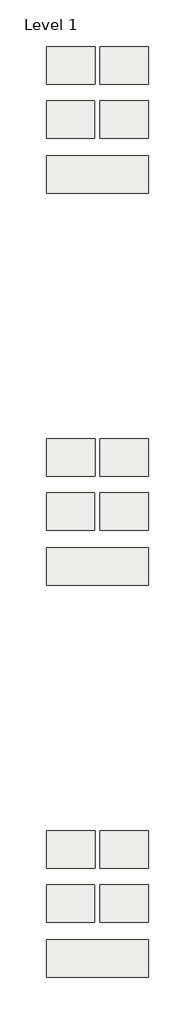
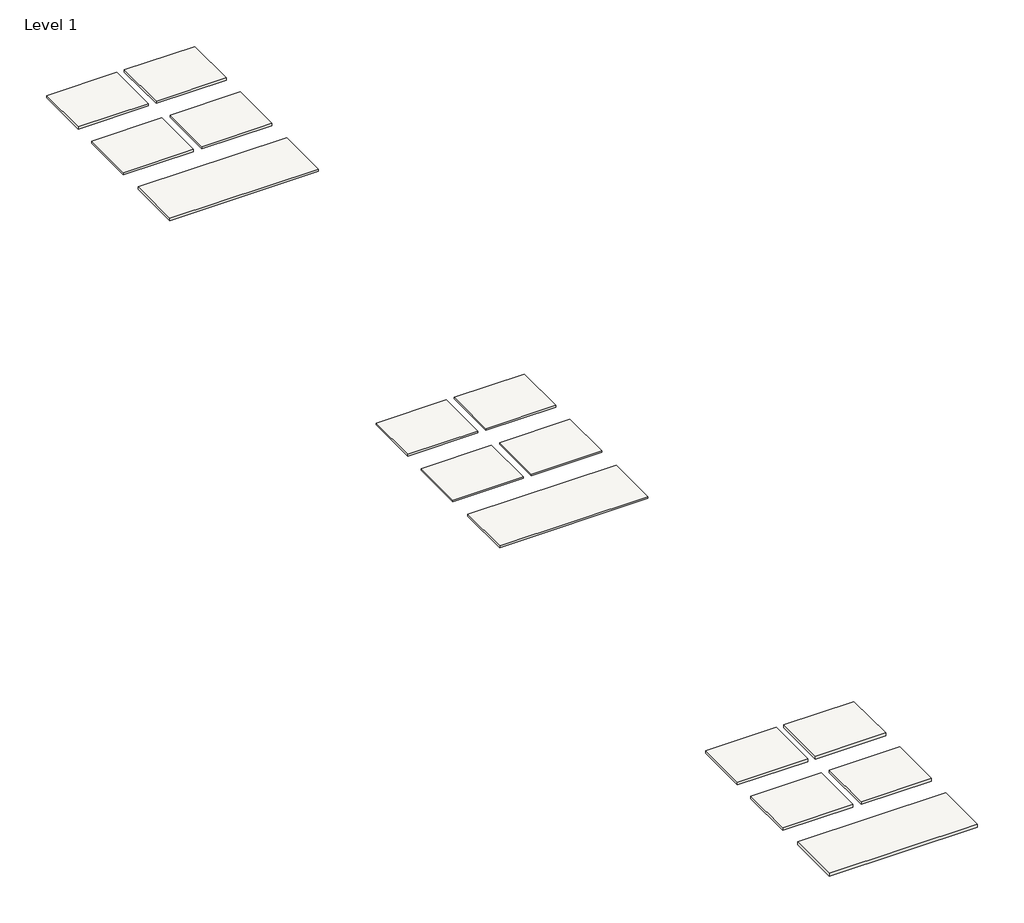
# One storey: 15 slabs.
"""IFC4 building model written with IfcOpenShell, lengths in millimetres."""

from ifc_helpers import new_model, si_unit, frame, origin, place, context, project, spatial, polyline, outline, extrude, element, save

model = new_model("IFC4")

# Units and contexts
model_context = context("Model", 3, world=origin())
ifc_project = project(units=[si_unit("LENGTHUNIT", "METRE", prefix="MILLI")], contexts=[model_context])

# Site, building, storey
site = spatial("IfcSite", under=ifc_project)
building = spatial("IfcBuilding", under=site)
storey = spatial("IfcBuildingStorey", under=building, Name="Level 1", Elevation=0.0)

# Slabs
placement = place(None, origin())
element("IfcSlab", 1, at=placement, inside=storey, context=model_context, shape_type="SweptSolid", body=[
    extrude(outline(polyline([(-33971.7205072, 8147.4619823), (-33971.7205072, 8439.5619823), (-33180.3247403, 8439.5619823), (-33180.3247403, 8147.4619823), (-33971.7205072, 8147.4619823)])), frame((0.0, 0.0, -9.525), z_axis=(0.0, 0.0, 1.0), x_axis=(1.0, 0.0, 0.0)), (0.0, 0.0, 1.0), 9.525),
])
element("IfcSlab", 2, at=placement, inside=storey, context=model_context, shape_type="SweptSolid", body=[
    extrude(outline(polyline([(-33970.8309993, 5949.054028), (-33970.8309993, 6241.154028), (-33596.1809993, 6241.154028), (-33596.1809993, 5949.054028), (-33970.8309993, 5949.054028)])), frame((0.0, 0.0, -15.875), z_axis=(0.0, 0.0, 1.0), x_axis=(1.0, 0.0, 0.0)), (0.0, 0.0, 1.0), 15.875),
])
element("IfcSlab", 3, at=placement, inside=storey, context=model_context, shape_type="SweptSolid", body=[
    extrude(outline(polyline([(-33554.9059993, 5949.054028), (-33554.9059993, 6241.154028), (-33180.2559993, 6241.154028), (-33180.2559993, 5949.054028), (-33554.9059993, 5949.054028)])), frame((0.0, 0.0, -15.875), z_axis=(0.0, 0.0, 1.0), x_axis=(1.0, 0.0, 0.0)), (0.0, 0.0, 1.0), 15.875),
])
element("IfcSlab", 4, at=placement, inside=storey, context=model_context, shape_type="SweptSolid", body=[
    extrude(outline(polyline([(-33973.8895833, 5527.0830679), (-33973.8895833, 5819.1830679), (-33599.2395833, 5819.1830679), (-33599.2395833, 5527.0830679), (-33973.8895833, 5527.0830679)])), frame((0.0, 0.0, -15.875), z_axis=(0.0, 0.0, 1.0), x_axis=(1.0, 0.0, 0.0)), (0.0, 0.0, 1.0), 15.875),
])
element("IfcSlab", 5, at=placement, inside=storey, context=model_context, shape_type="SweptSolid", body=[
    extrude(outline(polyline([(-33554.7895833, 5527.0830679), (-33554.7895833, 5819.1830679), (-33180.1395833, 5819.1830679), (-33180.1395833, 5527.0830679), (-33554.7895833, 5527.0830679)])), frame((0.0, 0.0, -15.875), z_axis=(0.0, 0.0, 1.0), x_axis=(1.0, 0.0, 0.0)), (0.0, 0.0, 1.0), 15.875),
])
element("IfcSlab", 6, at=placement, inside=storey, context=model_context, shape_type="SweptSolid", body=[
    extrude(outline(polyline([(-33971.7205072, 5099.4619823), (-33971.7205072, 5391.5619823), (-33180.3247403, 5391.5619823), (-33180.3247403, 5099.4619823), (-33971.7205072, 5099.4619823)])), frame((0.0, 0.0, -15.875), z_axis=(0.0, 0.0, 1.0), x_axis=(1.0, 0.0, 0.0)), (0.0, 0.0, 1.0), 15.875),
])
element("IfcSlab", 7, at=placement, inside=storey, context=model_context, shape_type="SweptSolid", body=[
    extrude(outline(polyline([(-33970.8309993, 12045.054028), (-33970.8309993, 12337.154028), (-33596.1809993, 12337.154028), (-33596.1809993, 12045.054028), (-33970.8309993, 12045.054028)])), frame((0.0, 0.0, -12.7), z_axis=(0.0, 0.0, 1.0), x_axis=(1.0, 0.0, 0.0)), (0.0, 0.0, 1.0), 12.7),
])
element("IfcSlab", 8, at=placement, inside=storey, context=model_context, shape_type="SweptSolid", body=[
    extrude(outline(polyline([(-33554.9059993, 12045.054028), (-33554.9059993, 12337.154028), (-33180.2559993, 12337.154028), (-33180.2559993, 12045.054028), (-33554.9059993, 12045.054028)])), frame((0.0, 0.0, -12.7), z_axis=(0.0, 0.0, 1.0), x_axis=(1.0, 0.0, 0.0)), (0.0, 0.0, 1.0), 12.7),
])
element("IfcSlab", 9, at=placement, inside=storey, context=model_context, shape_type="SweptSolid", body=[
    extrude(outline(polyline([(-33973.8895833, 11623.0830679), (-33973.8895833, 11915.1830679), (-33599.2395833, 11915.1830679), (-33599.2395833, 11623.0830679), (-33973.8895833, 11623.0830679)])), frame((0.0, 0.0, -12.7), z_axis=(0.0, 0.0, 1.0), x_axis=(1.0, 0.0, 0.0)), (0.0, 0.0, 1.0), 12.7),
])
element("IfcSlab", 10, at=placement, inside=storey, context=model_context, shape_type="SweptSolid", body=[
    extrude(outline(polyline([(-33554.7895833, 11623.0830679), (-33554.7895833, 11915.1830679), (-33180.1395833, 11915.1830679), (-33180.1395833, 11623.0830679), (-33554.7895833, 11623.0830679)])), frame((0.0, 0.0, -12.7), z_axis=(0.0, 0.0, 1.0), x_axis=(1.0, 0.0, 0.0)), (0.0, 0.0, 1.0), 12.7),
])
element("IfcSlab", 11, at=placement, inside=storey, context=model_context, shape_type="SweptSolid", body=[
    extrude(outline(polyline([(-33971.7205072, 11195.4619823), (-33971.7205072, 11487.5619823), (-33180.3247403, 11487.5619823), (-33180.3247403, 11195.4619823), (-33971.7205072, 11195.4619823)])), frame((0.0, 0.0, -12.7), z_axis=(0.0, 0.0, 1.0), x_axis=(1.0, 0.0, 0.0)), (0.0, 0.0, 1.0), 12.7),
])
element("IfcSlab", 12, at=placement, inside=storey, context=model_context, shape_type="SweptSolid", body=[
    extrude(outline(polyline([(-33970.8309993, 8997.054028), (-33970.8309993, 9289.154028), (-33596.1809993, 9289.154028), (-33596.1809993, 8997.054028), (-33970.8309993, 8997.054028)])), frame((0.0, 0.0, -9.525), z_axis=(0.0, 0.0, 1.0), x_axis=(1.0, 0.0, 0.0)), (0.0, 0.0, 1.0), 9.525),
])
element("IfcSlab", 13, at=placement, inside=storey, context=model_context, shape_type="SweptSolid", body=[
    extrude(outline(polyline([(-33554.9059993, 8997.054028), (-33554.9059993, 9289.154028), (-33180.2559993, 9289.154028), (-33180.2559993, 8997.054028), (-33554.9059993, 8997.054028)])), frame((0.0, 0.0, -9.525), z_axis=(0.0, 0.0, 1.0), x_axis=(1.0, 0.0, 0.0)), (0.0, 0.0, 1.0), 9.525),
])
element("IfcSlab", 14, at=placement, inside=storey, context=model_context, shape_type="SweptSolid", body=[
    extrude(outline(polyline([(-33973.8895833, 8575.0830679), (-33973.8895833, 8867.1830679), (-33599.2395833, 8867.1830679), (-33599.2395833, 8575.0830679), (-33973.8895833, 8575.0830679)])), frame((0.0, 0.0, -9.525), z_axis=(0.0, 0.0, 1.0), x_axis=(1.0, 0.0, 0.0)), (0.0, 0.0, 1.0), 9.525),
])
element("IfcSlab", 15, at=placement, inside=storey, context=model_context, shape_type="SweptSolid", body=[
    extrude(outline(polyline([(-33554.7895833, 8575.0830679), (-33554.7895833, 8867.1830679), (-33180.2559993, 8867.1830679), (-33180.2559993, 8575.0830679), (-33554.7895833, 8575.0830679)])), frame((0.0, 0.0, -9.525), z_axis=(0.0, 0.0, 1.0), x_axis=(1.0, 0.0, 0.0)), (0.0, 0.0, 1.0), 9.525),
])

save(model, "model.ifc")
